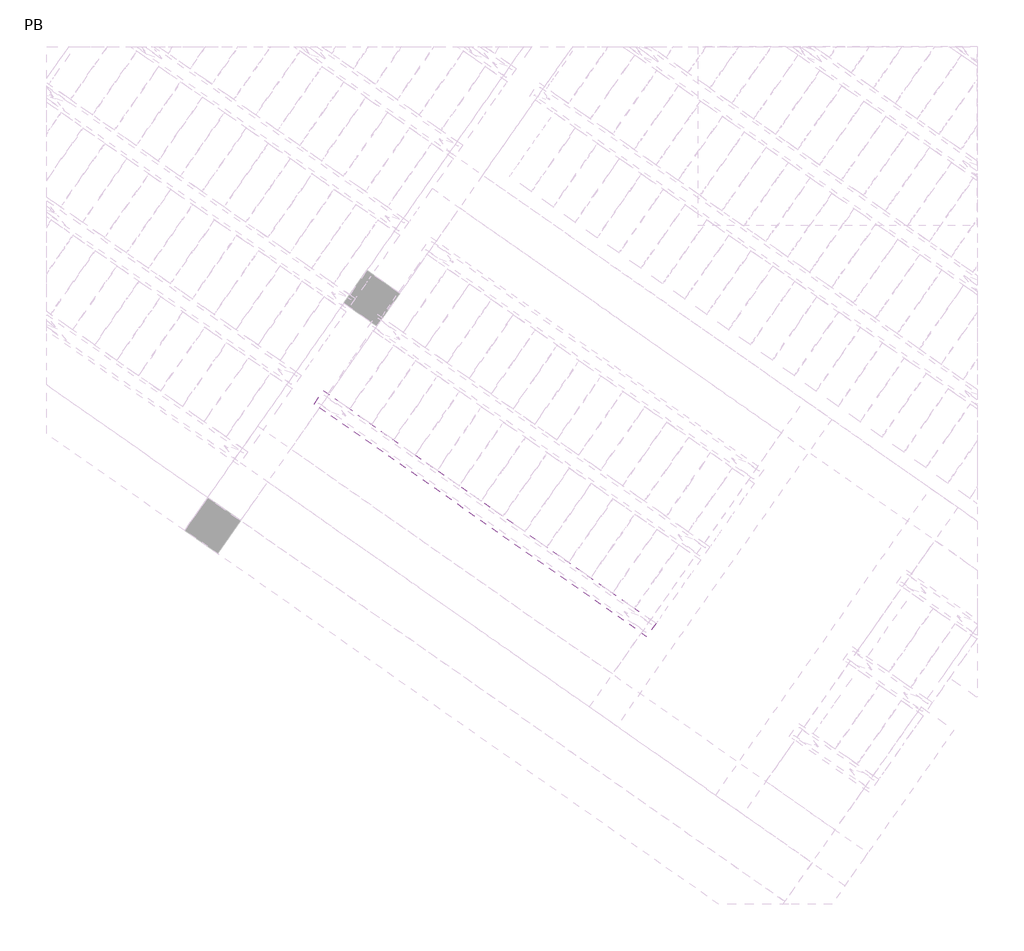
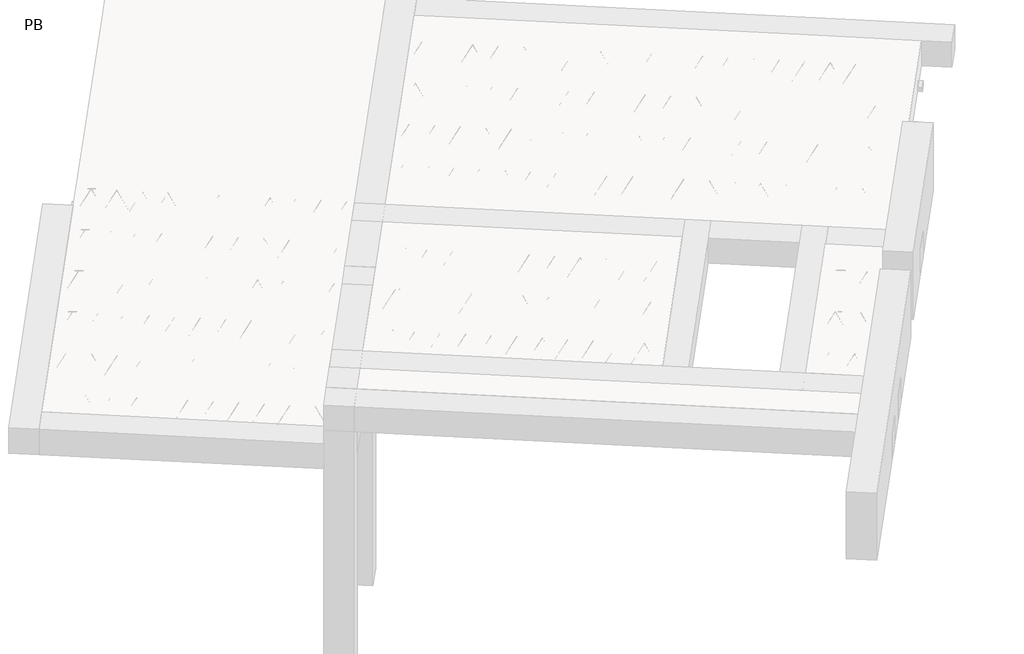
# One storey, part 8 of 56: 2 beams.
"""IFC4 building model written with IfcOpenShell, lengths in millimetres."""

from ifc_helpers import new_model, si_unit, point, frame, origin, origin_2d, place, context, project, spatial, polyline, circle_curve, trimmed, segment, composite_curve, outline, extrude, element, save

model = new_model("IFC4")

# Units and contexts
model_context = context("Model", 3, world=origin())
ifc_project = project(units=[si_unit("LENGTHUNIT", "METRE", prefix="MILLI")], contexts=[model_context])

# Site, building, storey
site = spatial("IfcSite", under=ifc_project)
building = spatial("IfcBuilding", under=site)
storey = spatial("IfcBuildingStorey", under=building, Name="PB", Elevation=95940.0)

# Beams
placement = place(None, origin())
element("IfcBeam", 1, at=placement, inside=storey, context=model_context, shape_type="SweptSolid", body=[
    extrude(outline(polyline([(1713.7293083, 1473.8746744), (1782.5584807, 1572.1729197), (4268.8360424, -168.7373712), (4200.00687, -267.0356165), (1713.7293083, 1473.8746744)])), frame((0.0, 0.0, 99220.0), z_axis=(0.0, 0.0, 1.0), x_axis=(1.0, 0.0, 0.0)), (0.0, 0.0, 1.0), 50.0),
    extrude(outline(composite_curve([segment(trimmed(circle_curve(origin_2d(), 2.5), [point((-2.5, 0.0))], [point((2.5, 0.0))], False, "CARTESIAN"), True, "CONTINUOUS"), segment(trimmed(circle_curve(origin_2d(), 2.5), [point((2.5, 0.0))], [point((-2.5, 0.0))], False, "CARTESIAN"), True, "CONTINUOUS")], self_intersect=False)), frame((4194.1130554, -233.610133, 99245.0), z_axis=(-0.8191520442696126, 0.5735764363787226, 0.0), x_axis=(0.5735764363787226, 0.8191520442696126, 0.0)), (0.0, 0.0, 1.0), 2987.184468),
    extrude(outline(composite_curve([segment(trimmed(circle_curve(origin_2d(), 2.5), [point((-2.5, 0.0))], [point((2.5, 0.0))], False, "CARTESIAN"), True, "CONTINUOUS"), segment(trimmed(circle_curve(origin_2d(), 2.5), [point((2.5, 0.0))], [point((-2.5, 0.0))], False, "CARTESIAN"), True, "CONTINUOUS")], self_intersect=False)), frame((4056.1803327, -93.0807156, 99470.0), z_axis=(-0.8191520442696126, 0.5735764363787226, 0.0), x_axis=(0.5735764363787226, 0.8191520442696126, 0.0)), (0.0, 0.0, 1.0), 2600.0),
    extrude(outline(composite_curve([segment(trimmed(circle_curve(origin_2d(), 2.5), [point((-2.5000001, 1e-07))], [point((2.5, 0.0))], False, "CARTESIAN"), True, "CONTINUOUS"), segment(trimmed(circle_curve(origin_2d(), 2.5), [point((2.5, 0.0))], [point((-2.5000001, 1e-07))], False, "CARTESIAN"), True, "CONTINUOUS")], self_intersect=False)), frame((4096.9679844, -165.5884219, 99245.0), z_axis=(-0.3145304735701046, 0.38933448886848654, 0.8657304643902053), x_axis=(0.7778747638402499, 0.6284193279813057, 0.0)), (0.0, 0.0, 1.0), 259.8961331),
    extrude(outline(composite_curve([segment(trimmed(circle_curve(origin_2d(), 2.5), [point((2.5, 0.0))], [point((-2.5, 0.0))], False, "CARTESIAN"), True, "CONTINUOUS"), segment(trimmed(circle_curve(origin_2d(), 2.5), [point((-2.5, 0.0))], [point((2.5, 0.0))], False, "CARTESIAN"), True, "CONTINUOUS")], self_intersect=False)), frame((3892.1799733, -22.1943128, 99245.0), z_axis=(0.47343050384693375, -0.16240172737369005, 0.8657304643902051), x_axis=(-0.3244721671091268, -0.9458952440791246, 0.0)), (0.0, 0.0, 1.0), 259.8961331),
    extrude(outline(composite_curve([segment(trimmed(circle_curve(origin_2d(), 2.5), [point((-2.5, 0.0))], [point((2.5, 0.0))], False, "CARTESIAN"), True, "CONTINUOUS"), segment(trimmed(circle_curve(origin_2d(), 2.5), [point((2.5, 0.0))], [point((-2.5, 0.0))], False, "CARTESIAN"), True, "CONTINUOUS")], self_intersect=False)), frame((3892.1799733, -22.1943128, 99245.0), z_axis=(-0.3145304735701046, 0.38933448886848654, 0.8657304643902053), x_axis=(0.7778747638402499, 0.6284193279813057, 0.0)), (0.0, 0.0, 1.0), 259.8961331),
    extrude(outline(composite_curve([segment(trimmed(circle_curve(origin_2d(), 2.5), [point((2.5, 0.0))], [point((-2.5, 0.0))], False, "CARTESIAN"), True, "CONTINUOUS"), segment(trimmed(circle_curve(origin_2d(), 2.5), [point((-2.5, 0.0))], [point((2.5, 0.0))], False, "CARTESIAN"), True, "CONTINUOUS")], self_intersect=False)), frame((3687.3919622, 121.1997963, 99245.0), z_axis=(0.47343050384693375, -0.16240172737369005, 0.8657304643902051), x_axis=(-0.3244721671091268, -0.9458952440791246, 0.0)), (0.0, 0.0, 1.0), 259.8961331),
    extrude(outline(composite_curve([segment(trimmed(circle_curve(origin_2d(), 2.5), [point((-2.5, 0.0))], [point((2.5, 0.0))], False, "CARTESIAN"), True, "CONTINUOUS"), segment(trimmed(circle_curve(origin_2d(), 2.5), [point((2.5, 0.0))], [point((-2.5, 0.0))], False, "CARTESIAN"), True, "CONTINUOUS")], self_intersect=False)), frame((3687.3919622, 121.1997963, 99245.0), z_axis=(-0.3145304735701046, 0.38933448886848654, 0.8657304643902053), x_axis=(0.7778747638402499, 0.6284193279813057, 0.0)), (0.0, 0.0, 1.0), 259.8961331),
    extrude(outline(composite_curve([segment(trimmed(circle_curve(origin_2d(), 2.5), [point((2.5, -1e-07))], [point((-2.5, 0.0))], False, "CARTESIAN"), True, "CONTINUOUS"), segment(trimmed(circle_curve(origin_2d(), 2.5), [point((-2.5, 0.0))], [point((2.5, -1e-07))], False, "CARTESIAN"), True, "CONTINUOUS")], self_intersect=False)), frame((3482.6039512, 264.5939054, 99245.0), z_axis=(0.47343050384693375, -0.16240172737369005, 0.8657304643902051), x_axis=(-0.3244721671091268, -0.9458952440791246, 0.0)), (0.0, 0.0, 1.0), 259.8961331),
    extrude(outline(composite_curve([segment(trimmed(circle_curve(origin_2d(), 2.5), [point((-2.5, -1e-07))], [point((2.5000001, -1e-07))], False, "CARTESIAN"), True, "CONTINUOUS"), segment(trimmed(circle_curve(origin_2d(), 2.5), [point((2.5000001, -1e-07))], [point((-2.5, -1e-07))], False, "CARTESIAN"), True, "CONTINUOUS")], self_intersect=False)), frame((3482.6039511, 264.5939054, 99245.0), z_axis=(-0.3145304735701046, 0.38933448886848654, 0.8657304643902053), x_axis=(0.7778747638402499, 0.6284193279813057, 0.0)), (0.0, 0.0, 1.0), 259.8961331),
    extrude(outline(composite_curve([segment(trimmed(circle_curve(origin_2d(), 2.5), [point((2.5, 0.0))], [point((-2.5, 0.0))], False, "CARTESIAN"), True, "CONTINUOUS"), segment(trimmed(circle_curve(origin_2d(), 2.5), [point((-2.5, 0.0))], [point((2.5, 0.0))], False, "CARTESIAN"), True, "CONTINUOUS")], self_intersect=False)), frame((3277.8159401, 407.9880145, 99245.0), z_axis=(0.47343050384693375, -0.16240172737369005, 0.8657304643902051), x_axis=(-0.3244721671091268, -0.9458952440791246, 0.0)), (0.0, 0.0, 1.0), 259.8961331),
    extrude(outline(composite_curve([segment(trimmed(circle_curve(origin_2d(), 2.5), [point((-2.5, 0.0))], [point((2.5000001, 0.0))], False, "CARTESIAN"), True, "CONTINUOUS"), segment(trimmed(circle_curve(origin_2d(), 2.5), [point((2.5000001, 0.0))], [point((-2.5, 0.0))], False, "CARTESIAN"), True, "CONTINUOUS")], self_intersect=False)), frame((3277.8159402, 407.9880143, 99245.0), z_axis=(-0.3145304735701046, 0.38933448886848654, 0.8657304643902053), x_axis=(0.7778747638402499, 0.6284193279813057, 0.0)), (0.0, 0.0, 1.0), 259.8961331),
    extrude(outline(composite_curve([segment(trimmed(circle_curve(origin_2d(), 2.5), [point((2.5, 0.0))], [point((-2.5000001, 0.0))], False, "CARTESIAN"), True, "CONTINUOUS"), segment(trimmed(circle_curve(origin_2d(), 2.5), [point((-2.5000001, 0.0))], [point((2.5, 0.0))], False, "CARTESIAN"), True, "CONTINUOUS")], self_intersect=False)), frame((3073.0279292, 551.3821234, 99245.0), z_axis=(0.47343050384693375, -0.16240172737369005, 0.8657304643902051), x_axis=(-0.3244721671091268, -0.9458952440791246, 0.0)), (0.0, 0.0, 1.0), 259.8961331),
    extrude(outline(composite_curve([segment(trimmed(circle_curve(origin_2d(), 2.5), [point((-2.5, 0.0))], [point((2.5, 1e-07))], False, "CARTESIAN"), True, "CONTINUOUS"), segment(trimmed(circle_curve(origin_2d(), 2.5), [point((2.5, 1e-07))], [point((-2.5, 0.0))], False, "CARTESIAN"), True, "CONTINUOUS")], self_intersect=False)), frame((3073.0279292, 551.3821234, 99245.0), z_axis=(-0.3145304735701046, 0.38933448886848654, 0.8657304643902053), x_axis=(0.7778747638402499, 0.6284193279813057, 0.0)), (0.0, 0.0, 1.0), 259.8961331),
    extrude(outline(composite_curve([segment(trimmed(circle_curve(origin_2d(), 2.5), [point((2.5, 0.0))], [point((-2.5, 0.0))], False, "CARTESIAN"), True, "CONTINUOUS"), segment(trimmed(circle_curve(origin_2d(), 2.5), [point((-2.5, 0.0))], [point((2.5, 0.0))], False, "CARTESIAN"), True, "CONTINUOUS")], self_intersect=False)), frame((2868.2399181, 694.7762325, 99245.0), z_axis=(0.47343050384693375, -0.16240172737369005, 0.8657304643902051), x_axis=(-0.3244721671091268, -0.9458952440791246, 0.0)), (0.0, 0.0, 1.0), 259.8961331),
    extrude(outline(composite_curve([segment(trimmed(circle_curve(origin_2d(), 2.5), [point((-2.5, 0.0))], [point((2.5, 1e-07))], False, "CARTESIAN"), True, "CONTINUOUS"), segment(trimmed(circle_curve(origin_2d(), 2.5), [point((2.5, 1e-07))], [point((-2.5, 0.0))], False, "CARTESIAN"), True, "CONTINUOUS")], self_intersect=False)), frame((2868.2399181, 694.7762325, 99245.0), z_axis=(-0.3145304735701046, 0.38933448886848654, 0.8657304643902053), x_axis=(0.7778747638402499, 0.6284193279813057, 0.0)), (0.0, 0.0, 1.0), 259.8961331),
    extrude(outline(composite_curve([segment(trimmed(circle_curve(origin_2d(), 2.5), [point((2.5, 0.0))], [point((-2.5, 1e-07))], False, "CARTESIAN"), True, "CONTINUOUS"), segment(trimmed(circle_curve(origin_2d(), 2.5), [point((-2.5, 1e-07))], [point((2.5, 0.0))], False, "CARTESIAN"), True, "CONTINUOUS")], self_intersect=False)), frame((2663.451907, 838.1703416, 99245.0), z_axis=(0.47343050384693375, -0.16240172737369005, 0.8657304643902051), x_axis=(-0.3244721671091268, -0.9458952440791246, 0.0)), (0.0, 0.0, 1.0), 259.8961331),
    extrude(outline(composite_curve([segment(trimmed(circle_curve(origin_2d(), 2.5), [point((-2.5, 0.0))], [point((2.5000001, 0.0))], False, "CARTESIAN"), True, "CONTINUOUS"), segment(trimmed(circle_curve(origin_2d(), 2.5), [point((2.5000001, 0.0))], [point((-2.5, 0.0))], False, "CARTESIAN"), True, "CONTINUOUS")], self_intersect=False)), frame((2663.451907, 838.1703416, 99245.0), z_axis=(-0.3145304735701046, 0.38933448886848654, 0.8657304643902053), x_axis=(0.7778747638402499, 0.6284193279813057, 0.0)), (0.0, 0.0, 1.0), 259.8961331),
    extrude(outline(composite_curve([segment(trimmed(circle_curve(origin_2d(), 2.5), [point((2.5, 0.0))], [point((-2.5, 0.0))], False, "CARTESIAN"), True, "CONTINUOUS"), segment(trimmed(circle_curve(origin_2d(), 2.5), [point((-2.5, 0.0))], [point((2.5, 0.0))], False, "CARTESIAN"), True, "CONTINUOUS")], self_intersect=False)), frame((2458.663896, 981.5644507, 99245.0), z_axis=(0.47343050384693375, -0.16240172737369005, 0.8657304643902051), x_axis=(-0.3244721671091268, -0.9458952440791246, 0.0)), (0.0, 0.0, 1.0), 259.8961331),
    extrude(outline(composite_curve([segment(trimmed(circle_curve(origin_2d(), 2.5), [point((-2.5, 0.0))], [point((2.5, 0.0))], False, "CARTESIAN"), True, "CONTINUOUS"), segment(trimmed(circle_curve(origin_2d(), 2.5), [point((2.5, 0.0))], [point((-2.5, 0.0))], False, "CARTESIAN"), True, "CONTINUOUS")], self_intersect=False)), frame((2458.663896, 981.5644507, 99245.0), z_axis=(-0.3145304735701046, 0.38933448886848654, 0.8657304643902053), x_axis=(0.7778747638402499, 0.6284193279813057, 0.0)), (0.0, 0.0, 1.0), 259.8961331),
    extrude(outline(composite_curve([segment(trimmed(circle_curve(origin_2d(), 2.5), [point((2.5, 0.0))], [point((-2.5, 0.0))], False, "CARTESIAN"), True, "CONTINUOUS"), segment(trimmed(circle_curve(origin_2d(), 2.5), [point((-2.5, 0.0))], [point((2.5, 0.0))], False, "CARTESIAN"), True, "CONTINUOUS")], self_intersect=False)), frame((2253.8758849, 1124.9585598, 99245.0), z_axis=(0.47343050384693375, -0.16240172737369005, 0.8657304643902051), x_axis=(-0.3244721671091268, -0.9458952440791246, 0.0)), (0.0, 0.0, 1.0), 259.8961331),
    extrude(outline(composite_curve([segment(trimmed(circle_curve(origin_2d(), 2.5), [point((-2.5, 0.0))], [point((2.5, 0.0))], False, "CARTESIAN"), True, "CONTINUOUS"), segment(trimmed(circle_curve(origin_2d(), 2.5), [point((2.5, 0.0))], [point((-2.5, 0.0))], False, "CARTESIAN"), True, "CONTINUOUS")], self_intersect=False)), frame((2253.8758849, 1124.9585598, 99245.0), z_axis=(-0.3145304735701046, 0.38933448886848654, 0.8657304643902053), x_axis=(0.7778747638402499, 0.6284193279813057, 0.0)), (0.0, 0.0, 1.0), 259.8961331),
    extrude(outline(composite_curve([segment(trimmed(circle_curve(origin_2d(), 2.5), [point((2.5, 0.0))], [point((-2.5, 1e-07))], False, "CARTESIAN"), True, "CONTINUOUS"), segment(trimmed(circle_curve(origin_2d(), 2.5), [point((-2.5, 1e-07))], [point((2.5, 0.0))], False, "CARTESIAN"), True, "CONTINUOUS")], self_intersect=False)), frame((2049.0878738, 1268.3526689, 99245.0), z_axis=(0.47343050384693375, -0.16240172737369005, 0.8657304643902051), x_axis=(-0.3244721671091268, -0.9458952440791246, 0.0)), (0.0, 0.0, 1.0), 259.8961331),
    extrude(outline(composite_curve([segment(trimmed(circle_curve(origin_2d(), 2.5), [point((-2.5, 0.0))], [point((2.5000001, -1e-07))], False, "CARTESIAN"), True, "CONTINUOUS"), segment(trimmed(circle_curve(origin_2d(), 2.5), [point((2.5000001, -1e-07))], [point((-2.5, 0.0))], False, "CARTESIAN"), True, "CONTINUOUS")], self_intersect=False)), frame((2049.0878738, 1268.3526689, 99245.0), z_axis=(-0.3145304735701046, 0.38933448886848654, 0.8657304643902053), x_axis=(0.7778747638402499, 0.6284193279813057, 0.0)), (0.0, 0.0, 1.0), 259.8961331),
    extrude(outline(composite_curve([segment(trimmed(circle_curve(origin_2d(), 2.5), [point((2.5, 0.0))], [point((-2.5, 0.0))], False, "CARTESIAN"), True, "CONTINUOUS"), segment(trimmed(circle_curve(origin_2d(), 2.5), [point((-2.5, 0.0))], [point((2.5, 0.0))], False, "CARTESIAN"), True, "CONTINUOUS")], self_intersect=False)), frame((1844.2998628, 1411.746778, 99245.0), z_axis=(0.47343050384693375, -0.16240172737369005, 0.8657304643902051), x_axis=(-0.3244721671091268, -0.9458952440791246, 0.0)), (0.0, 0.0, 1.0), 259.8961331),
    extrude(outline(composite_curve([segment(trimmed(circle_curve(origin_2d(), 2.5), [point((-2.4999999, 0.0))], [point((2.5, 0.0))], False, "CARTESIAN"), True, "CONTINUOUS"), segment(trimmed(circle_curve(origin_2d(), 2.5), [point((2.5, 0.0))], [point((-2.4999999, 0.0))], False, "CARTESIAN"), True, "CONTINUOUS")], self_intersect=False)), frame((4235.4105588, -174.6311858, 99245.0), z_axis=(-0.8191520442696126, 0.5735764363787226, 0.0), x_axis=(0.5735764363787226, 0.8191520442696126, 0.0)), (0.0, 0.0, 1.0), 2987.184468),
    extrude(outline(composite_curve([segment(trimmed(circle_curve(origin_2d(), 2.5), [point((-2.5, 0.0))], [point((2.5, 0.0))], False, "CARTESIAN"), True, "CONTINUOUS"), segment(trimmed(circle_curve(origin_2d(), 2.5), [point((2.5, 0.0))], [point((-2.5, 0.0))], False, "CARTESIAN"), True, "CONTINUOUS")], self_intersect=False)), frame((4138.2654878, -106.6094747, 99245.0), z_axis=(-0.47343050384693375, 0.16240172737369005, 0.8657304643902051), x_axis=(0.3244721671091268, 0.9458952440791246, 0.0)), (0.0, 0.0, 1.0), 259.8961331),
    extrude(outline(composite_curve([segment(trimmed(circle_curve(origin_2d(), 2.5), [point((2.5, 1e-07))], [point((-2.5, 0.0))], False, "CARTESIAN"), True, "CONTINUOUS"), segment(trimmed(circle_curve(origin_2d(), 2.5), [point((-2.5, 0.0))], [point((2.5, 1e-07))], False, "CARTESIAN"), True, "CONTINUOUS")], self_intersect=False)), frame((3933.4774767, 36.7846344, 99245.0), z_axis=(0.3145304735701046, -0.38933448886848654, 0.8657304643902053), x_axis=(-0.7778747638402499, -0.6284193279813057, 0.0)), (0.0, 0.0, 1.0), 259.8961331),
    extrude(outline(composite_curve([segment(trimmed(circle_curve(origin_2d(), 2.5), [point((-2.5, 0.0))], [point((2.5, 0.0))], False, "CARTESIAN"), True, "CONTINUOUS"), segment(trimmed(circle_curve(origin_2d(), 2.5), [point((2.5, 0.0))], [point((-2.5, 0.0))], False, "CARTESIAN"), True, "CONTINUOUS")], self_intersect=False)), frame((3933.4774767, 36.7846344, 99245.0), z_axis=(-0.47343050384693375, 0.16240172737369005, 0.8657304643902051), x_axis=(0.3244721671091268, 0.9458952440791246, 0.0)), (0.0, 0.0, 1.0), 259.8961331),
    extrude(outline(composite_curve([segment(trimmed(circle_curve(origin_2d(), 2.5), [point((2.5, 1e-07))], [point((-2.5, 0.0))], False, "CARTESIAN"), True, "CONTINUOUS"), segment(trimmed(circle_curve(origin_2d(), 2.5), [point((-2.5, 0.0))], [point((2.5, 1e-07))], False, "CARTESIAN"), True, "CONTINUOUS")], self_intersect=False)), frame((3728.6894656, 180.1787435, 99245.0), z_axis=(0.3145304735701046, -0.38933448886848654, 0.8657304643902053), x_axis=(-0.7778747638402499, -0.6284193279813057, 0.0)), (0.0, 0.0, 1.0), 259.8961331),
    extrude(outline(composite_curve([segment(trimmed(circle_curve(origin_2d(), 2.5), [point((-2.5, 0.0))], [point((2.5, -1e-07))], False, "CARTESIAN"), True, "CONTINUOUS"), segment(trimmed(circle_curve(origin_2d(), 2.5), [point((2.5, -1e-07))], [point((-2.5, 0.0))], False, "CARTESIAN"), True, "CONTINUOUS")], self_intersect=False)), frame((3728.6894656, 180.1787435, 99245.0), z_axis=(-0.47343050384693375, 0.16240172737369005, 0.8657304643902051), x_axis=(0.3244721671091268, 0.9458952440791246, 0.0)), (0.0, 0.0, 1.0), 259.8961331),
    extrude(outline(composite_curve([segment(trimmed(circle_curve(origin_2d(), 2.5), [point((2.5, 1e-07))], [point((-2.5, 0.0))], False, "CARTESIAN"), True, "CONTINUOUS"), segment(trimmed(circle_curve(origin_2d(), 2.5), [point((-2.5, 0.0))], [point((2.5, 1e-07))], False, "CARTESIAN"), True, "CONTINUOUS")], self_intersect=False)), frame((3523.9014546, 323.5728526, 99245.0), z_axis=(0.3145304735701046, -0.38933448886848654, 0.8657304643902053), x_axis=(-0.7778747638402499, -0.6284193279813057, 0.0)), (0.0, 0.0, 1.0), 259.8961331),
    extrude(outline(composite_curve([segment(trimmed(circle_curve(origin_2d(), 2.5), [point((-2.5000001, 0.0))], [point((2.5, 0.0))], False, "CARTESIAN"), True, "CONTINUOUS"), segment(trimmed(circle_curve(origin_2d(), 2.5), [point((2.5, 0.0))], [point((-2.5000001, 0.0))], False, "CARTESIAN"), True, "CONTINUOUS")], self_intersect=False)), frame((3523.9014546, 323.5728526, 99245.0), z_axis=(-0.47343050384693375, 0.16240172737369005, 0.8657304643902051), x_axis=(0.3244721671091268, 0.9458952440791246, 0.0)), (0.0, 0.0, 1.0), 259.8961331),
    extrude(outline(composite_curve([segment(trimmed(circle_curve(origin_2d(), 2.5), [point((2.5, 0.0))], [point((-2.5, -1e-07))], False, "CARTESIAN"), True, "CONTINUOUS"), segment(trimmed(circle_curve(origin_2d(), 2.5), [point((-2.5, -1e-07))], [point((2.5, 0.0))], False, "CARTESIAN"), True, "CONTINUOUS")], self_intersect=False)), frame((3319.1134435, 466.9669616, 99245.0), z_axis=(0.3145304735701046, -0.38933448886848654, 0.8657304643902053), x_axis=(-0.7778747638402499, -0.6284193279813057, 0.0)), (0.0, 0.0, 1.0), 259.8961331),
    extrude(outline(composite_curve([segment(trimmed(circle_curve(origin_2d(), 2.5), [point((-2.5, 1e-07))], [point((2.5, 0.0))], False, "CARTESIAN"), True, "CONTINUOUS"), segment(trimmed(circle_curve(origin_2d(), 2.5), [point((2.5, 0.0))], [point((-2.5, 1e-07))], False, "CARTESIAN"), True, "CONTINUOUS")], self_intersect=False)), frame((3319.1134437, 466.9669615, 99245.0), z_axis=(-0.47343050384693375, 0.16240172737369005, 0.8657304643902051), x_axis=(0.3244721671091268, 0.9458952440791246, 0.0)), (0.0, 0.0, 1.0), 259.8961331),
    extrude(outline(composite_curve([segment(trimmed(circle_curve(origin_2d(), 2.5), [point((2.5, 0.0))], [point((-2.5, 0.0))], False, "CARTESIAN"), True, "CONTINUOUS"), segment(trimmed(circle_curve(origin_2d(), 2.5), [point((-2.5, 0.0))], [point((2.5, 0.0))], False, "CARTESIAN"), True, "CONTINUOUS")], self_intersect=False)), frame((3114.3254326, 610.3610706, 99245.0), z_axis=(0.3145304735701046, -0.38933448886848654, 0.8657304643902053), x_axis=(-0.7778747638402499, -0.6284193279813057, 0.0)), (0.0, 0.0, 1.0), 259.8961331),
    extrude(outline(composite_curve([segment(trimmed(circle_curve(origin_2d(), 2.5), [point((-2.5, 0.0))], [point((2.5, 0.0))], False, "CARTESIAN"), True, "CONTINUOUS"), segment(trimmed(circle_curve(origin_2d(), 2.5), [point((2.5, 0.0))], [point((-2.5, 0.0))], False, "CARTESIAN"), True, "CONTINUOUS")], self_intersect=False)), frame((3114.3254326, 610.3610706, 99245.0), z_axis=(-0.47343050384693375, 0.16240172737369005, 0.8657304643902051), x_axis=(0.3244721671091268, 0.9458952440791246, 0.0)), (0.0, 0.0, 1.0), 259.8961331),
    extrude(outline(composite_curve([segment(trimmed(circle_curve(origin_2d(), 2.5), [point((2.5, 0.0))], [point((-2.5, 0.0))], False, "CARTESIAN"), True, "CONTINUOUS"), segment(trimmed(circle_curve(origin_2d(), 2.5), [point((-2.5, 0.0))], [point((2.5, 0.0))], False, "CARTESIAN"), True, "CONTINUOUS")], self_intersect=False)), frame((2909.5374215, 753.7551797, 99245.0), z_axis=(0.3145304735701046, -0.38933448886848654, 0.8657304643902053), x_axis=(-0.7778747638402499, -0.6284193279813057, 0.0)), (0.0, 0.0, 1.0), 259.8961331),
    extrude(outline(composite_curve([segment(trimmed(circle_curve(origin_2d(), 2.5), [point((-2.5, 0.0))], [point((2.5, 0.0))], False, "CARTESIAN"), True, "CONTINUOUS"), segment(trimmed(circle_curve(origin_2d(), 2.5), [point((2.5, 0.0))], [point((-2.5, 0.0))], False, "CARTESIAN"), True, "CONTINUOUS")], self_intersect=False)), frame((2909.5374215, 753.7551797, 99245.0), z_axis=(-0.47343050384693375, 0.16240172737369005, 0.8657304643902051), x_axis=(0.3244721671091268, 0.9458952440791246, 0.0)), (0.0, 0.0, 1.0), 259.8961331),
    extrude(outline(composite_curve([segment(trimmed(circle_curve(origin_2d(), 2.5), [point((2.5, 0.0))], [point((-2.5, 0.0))], False, "CARTESIAN"), True, "CONTINUOUS"), segment(trimmed(circle_curve(origin_2d(), 2.5), [point((-2.5, 0.0))], [point((2.5, 0.0))], False, "CARTESIAN"), True, "CONTINUOUS")], self_intersect=False)), frame((2704.7494105, 897.1492888, 99245.0), z_axis=(0.3145304735701046, -0.38933448886848654, 0.8657304643902053), x_axis=(-0.7778747638402499, -0.6284193279813057, 0.0)), (0.0, 0.0, 1.0), 259.8961331),
    extrude(outline(composite_curve([segment(trimmed(circle_curve(origin_2d(), 2.5), [point((-2.5, 1e-07))], [point((2.5, 0.0))], False, "CARTESIAN"), True, "CONTINUOUS"), segment(trimmed(circle_curve(origin_2d(), 2.5), [point((2.5, 0.0))], [point((-2.5, 1e-07))], False, "CARTESIAN"), True, "CONTINUOUS")], self_intersect=False)), frame((2704.7494105, 897.1492888, 99245.0), z_axis=(-0.47343050384693375, 0.16240172737369005, 0.8657304643902051), x_axis=(0.3244721671091268, 0.9458952440791246, 0.0)), (0.0, 0.0, 1.0), 259.8961331),
    extrude(outline(composite_curve([segment(trimmed(circle_curve(origin_2d(), 2.5), [point((2.5, 0.0))], [point((-2.5, 0.0))], False, "CARTESIAN"), True, "CONTINUOUS"), segment(trimmed(circle_curve(origin_2d(), 2.5), [point((-2.5, 0.0))], [point((2.5, 0.0))], False, "CARTESIAN"), True, "CONTINUOUS")], self_intersect=False)), frame((2499.9613994, 1040.5433979, 99245.0), z_axis=(0.3145304735701046, -0.38933448886848654, 0.8657304643902053), x_axis=(-0.7778747638402499, -0.6284193279813057, 0.0)), (0.0, 0.0, 1.0), 259.8961331),
    extrude(outline(composite_curve([segment(trimmed(circle_curve(origin_2d(), 2.5), [point((-2.5, 0.0))], [point((2.5, 0.0))], False, "CARTESIAN"), True, "CONTINUOUS"), segment(trimmed(circle_curve(origin_2d(), 2.5), [point((2.5, 0.0))], [point((-2.5, 0.0))], False, "CARTESIAN"), True, "CONTINUOUS")], self_intersect=False)), frame((2499.9613994, 1040.5433979, 99245.0), z_axis=(-0.47343050384693375, 0.16240172737369005, 0.8657304643902051), x_axis=(0.3244721671091268, 0.9458952440791246, 0.0)), (0.0, 0.0, 1.0), 259.8961331),
    extrude(outline(composite_curve([segment(trimmed(circle_curve(origin_2d(), 2.5), [point((2.5, 0.0))], [point((-2.5, 0.0))], False, "CARTESIAN"), True, "CONTINUOUS"), segment(trimmed(circle_curve(origin_2d(), 2.5), [point((-2.5, 0.0))], [point((2.5, 0.0))], False, "CARTESIAN"), True, "CONTINUOUS")], self_intersect=False)), frame((2295.1733883, 1183.937507, 99245.0), z_axis=(0.3145304735701046, -0.38933448886848654, 0.8657304643902053), x_axis=(-0.7778747638402499, -0.6284193279813057, 0.0)), (0.0, 0.0, 1.0), 259.8961331),
    extrude(outline(composite_curve([segment(trimmed(circle_curve(origin_2d(), 2.5), [point((-2.5, 0.0))], [point((2.5, 0.0))], False, "CARTESIAN"), True, "CONTINUOUS"), segment(trimmed(circle_curve(origin_2d(), 2.5), [point((2.5, 0.0))], [point((-2.5, 0.0))], False, "CARTESIAN"), True, "CONTINUOUS")], self_intersect=False)), frame((2295.1733883, 1183.937507, 99245.0), z_axis=(-0.47343050384693375, 0.16240172737369005, 0.8657304643902051), x_axis=(0.3244721671091268, 0.9458952440791246, 0.0)), (0.0, 0.0, 1.0), 259.8961331),
    extrude(outline(composite_curve([segment(trimmed(circle_curve(origin_2d(), 2.5), [point((2.5, 0.0))], [point((-2.5, 0.0))], False, "CARTESIAN"), True, "CONTINUOUS"), segment(trimmed(circle_curve(origin_2d(), 2.5), [point((-2.5, 0.0))], [point((2.5, 0.0))], False, "CARTESIAN"), True, "CONTINUOUS")], self_intersect=False)), frame((2090.3853773, 1327.3316161, 99245.0), z_axis=(0.3145304735701046, -0.38933448886848654, 0.8657304643902053), x_axis=(-0.7778747638402499, -0.6284193279813057, 0.0)), (0.0, 0.0, 1.0), 259.8961331),
    extrude(outline(composite_curve([segment(trimmed(circle_curve(origin_2d(), 2.5), [point((-2.5, 1e-07))], [point((2.5, 0.0))], False, "CARTESIAN"), True, "CONTINUOUS"), segment(trimmed(circle_curve(origin_2d(), 2.5), [point((2.5, 0.0))], [point((-2.5, 1e-07))], False, "CARTESIAN"), True, "CONTINUOUS")], self_intersect=False)), frame((2090.3853773, 1327.3316161, 99245.0), z_axis=(-0.47343050384693375, 0.16240172737369005, 0.8657304643902051), x_axis=(0.3244721671091268, 0.9458952440791246, 0.0)), (0.0, 0.0, 1.0), 259.8961331),
    extrude(outline(composite_curve([segment(trimmed(circle_curve(origin_2d(), 2.5), [point((2.5, 0.0))], [point((-2.5, 0.0))], False, "CARTESIAN"), True, "CONTINUOUS"), segment(trimmed(circle_curve(origin_2d(), 2.5), [point((-2.5, 0.0))], [point((2.5, 0.0))], False, "CARTESIAN"), True, "CONTINUOUS")], self_intersect=False)), frame((1885.5973662, 1470.7257252, 99245.0), z_axis=(0.3145304735701046, -0.38933448886848654, 0.8657304643902053), x_axis=(-0.7778747638402499, -0.6284193279813057, 0.0)), (0.0, 0.0, 1.0), 259.8961331),
])
element("IfcBeam", 2, at=placement, inside=storey, context=model_context, shape_type="SweptSolid", body=[
    extrude(outline(polyline([(2115.2328138, 2047.2811054), (2184.0619862, 2145.5793507), (4670.3395479, 404.6690598), (4601.5103755, 306.3708145), (2115.2328138, 2047.2811054)])), frame((0.0, 0.0, 99220.0), z_axis=(0.0, 0.0, 1.0), x_axis=(1.0, 0.0, 0.0)), (0.0, 0.0, 1.0), 50.0),
])

save(model, "model.ifc")
